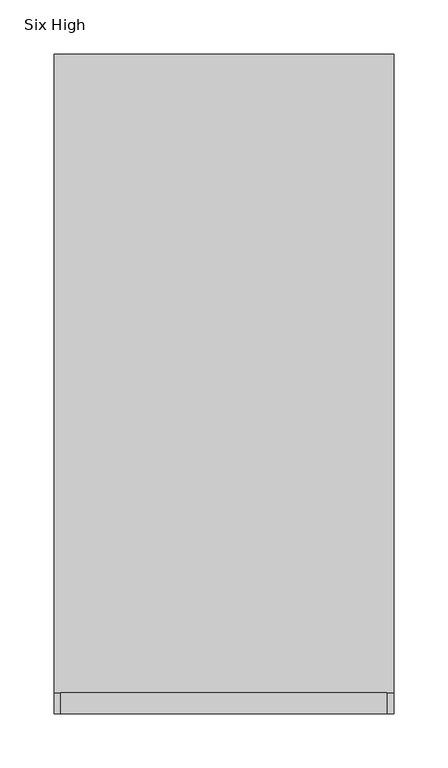
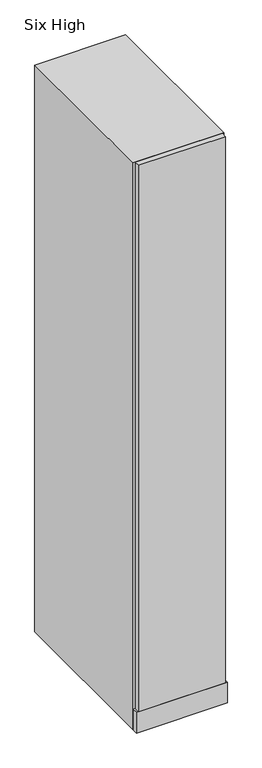
"""IFC4 building model written with IfcOpenShell, lengths in millimetres: furniture geometry, Six High."""

from ifc_helpers import new_model, si_unit, frame, origin, origin_with_axes, place, context, project, spatial, polyline, outline, extrude, faceted_brep, source, transform, mapped, element, save


def six_high_3ef22739(model_context):
    return source(origin(), model_context, "Body", "SolidModel", [
        extrude(outline(polyline([(103.0827087, -381.0849755), (-198.5422913, -381.0849755), (-198.5422913, -362.0349755), (103.0827087, -362.0349755), (103.0827087, -381.0849755)])), frame((0.0, 0.0, 76.2), z_axis=(0.0, 0.0, 1.0), x_axis=(1.0, 0.0, 0.0)), (0.0, 0.0, 1.0), 1997.075),
        extrude(outline(polyline([(109.4327087, -381.0849755), (-204.8922913, -381.0849755), (-204.8922913, -362.0349755), (109.4327087, -362.0349755), (109.4327087, -381.0849755)])), origin_with_axes(), (0.0, 0.0, 1.0), 76.2),
        faceted_brep([(109.4327087, 228.5150245, 2073.275), (-204.8922913, 228.5150245, 2073.275), (-204.8922913, -362.0349755, 2073.275), (109.4327087, -362.0349755, 2073.275), (109.4327087, -362.0349755, 0.0), (-204.8922913, -362.0349755, 0.0), (-204.8922913, 228.5150245, 0.0), (109.4327087, 228.5150245, 0.0), (90.3827087, 209.4650245, 76.2), (90.3827087, 209.4650245, 2054.225), (-185.8422913, 209.4650245, 2054.225), (-185.8422913, 209.4650245, 76.2), (90.3827087, -362.0349755, 2054.225), (90.3827087, -362.0349755, 76.2), (-185.8422913, -362.0349755, 76.2), (-185.8422913, -362.0349755, 2054.225)], [[[0, 1, 2, 3]], [[4, 5, 6, 7]], [[1, 0, 7, 6]], [[2, 1, 6, 5]], [[8, 9, 10, 11]], [[0, 3, 4, 7]], [[3, 2, 5, 4], [12, 13, 14, 15]], [[13, 12, 9, 8]], [[14, 13, 8, 11]], [[15, 14, 11, 10]], [[12, 15, 10, 9]]]),
        extrude(outline(polyline([(109.4327087, 209.4650245), (109.4327087, -362.0349755), (90.3827087, -362.0349755), (90.3827087, 209.4650245), (109.4327087, 209.4650245)])), frame((0.0, 0.0, 76.2), z_axis=(0.0, 0.0, 1.0), x_axis=(1.0, 0.0, 0.0)), (0.0, 0.0, 1.0), 1978.025),
    ])


if __name__ == "__main__":
    model = new_model("IFC4")
    model_context = context("Model", 3, world=origin())
    ifc_project = project(units=[si_unit("LENGTHUNIT", "METRE", prefix="MILLI")], contexts=[model_context])
    site = spatial("IfcSite", under=ifc_project)
    building = spatial("IfcBuilding", under=site)
    placement = place(None, origin())
    six_high_shape = six_high_3ef22739(model_context)
    element("IfcFurniture", 1, ObjectType="Six High", at=placement, inside=building, context=model_context, shape_type="MappedRepresentation", body=[
        mapped(six_high_shape, transform((0.0, 0.0, 0.0), x_axis=(1.0, 0.0, 0.0), y_axis=(0.0, 1.0, 0.0), z_axis=(0.0, 0.0, 1.0))),
    ])
    save(model, "model.ifc")
